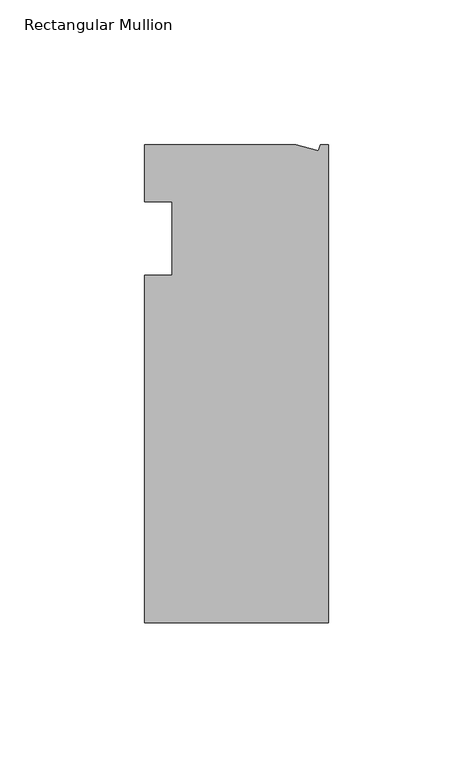
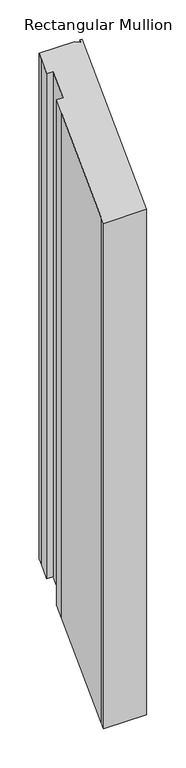
"""IFC4 building model written with IfcOpenShell, lengths in millimetres: member geometry, Rectangular Mullion."""

from ifc_helpers import new_model, si_unit, origin, place, context, project, spatial, faceted_brep, source, transform, mapped, element, save


def rectangular_mullion_54ab58d7(model_context):
    return source(origin(), model_context, "Body", "Brep", [
        faceted_brep([(-63.5, 19.6597595, 19.6597595), (-11.1265412, 19.6597595, 19.6597595), (-11.1265412, 19.6597595, -767.7402405), (-63.5, 19.6597595, -767.7402405), (-63.5, 0.0, 0.0), (-63.5, 13.6093403, 13.6093403), (-63.5, 13.6093403, -773.7906597), (-63.5, 0.0, -787.4), (-53.975, 0.0, 0.0), (-53.975, 0.0, -787.4), (-53.975, -25.4, -25.4), (-53.975, -25.4, -812.8), (-63.5, -25.4, -25.4), (-63.5, -25.4, -812.8), (-63.5, -139.0912246, -139.0912246), (-63.5, -38.3358837, -38.3358837), (-63.5, -38.3358837, -825.7358837), (-63.5, -139.0912246, -926.4912246), (0.0, -145.4402405, -145.4402405), (-63.5, -145.4402405, -145.4402405), (-63.5, -145.4402405, -932.8402405), (0.0, -145.4402405, -932.8402405), (0.0, 19.6597595, 19.6597595), (0.0, 19.6597595, -767.7402405), (-2.787084, 19.6597595, 19.6597595), (-2.787084, 19.6597595, -767.7402405), (-3.3457217, 17.5748952, 17.5748952), (-3.3457217, 17.5748952, -769.8251048)], [[[0, 1, 2, 3]], [[4, 5, 6, 7]], [[8, 4, 7, 9]], [[10, 8, 9, 11]], [[12, 10, 11, 13]], [[14, 15, 16, 17]], [[18, 19, 20, 21]], [[22, 18, 21, 23]], [[24, 22, 23, 25]], [[26, 24, 25, 27]], [[1, 26, 27, 2]], [[1, 0, 5, 4, 8, 10, 12, 15, 14, 19, 18, 22, 24, 26]], [[2, 27, 25, 23, 21, 20, 17, 16, 13, 11, 9, 7, 6, 3]], [[19, 14, 17, 20]], [[5, 0, 3, 6]], [[15, 12, 13, 16]]]),
    ])


if __name__ == "__main__":
    model = new_model("IFC4")
    model_context = context("Model", 3, world=origin())
    ifc_project = project(units=[si_unit("LENGTHUNIT", "METRE", prefix="MILLI")], contexts=[model_context])
    site = spatial("IfcSite", under=ifc_project)
    building = spatial("IfcBuilding", under=site)
    placement = place(None, origin())
    rectangular_mullion_shape = rectangular_mullion_54ab58d7(model_context)
    element("IfcMember", 1, ObjectType="Rectangular Mullion", at=placement, inside=building, context=model_context, shape_type="MappedRepresentation", body=[
        mapped(rectangular_mullion_shape, transform((0.0, 0.0, 0.0), x_axis=(1.0, 0.0, 0.0), y_axis=(0.0, 1.0, 0.0), z_axis=(0.0, 0.0, 1.0))),
    ])
    save(model, "model.ifc")
